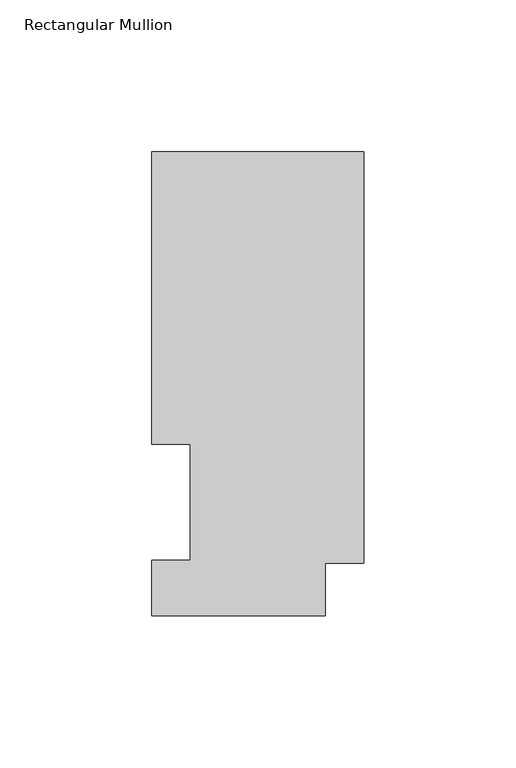
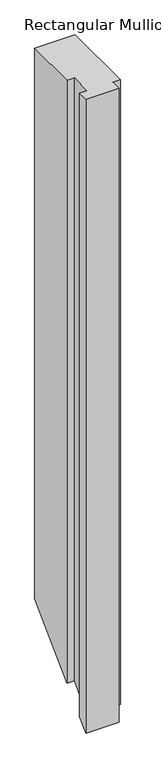
"""IFC4 building model written with IfcOpenShell, lengths in millimetres: member geometry, Rectangular Mullion."""

import ifcopenshell
import ifcopenshell.guid

model = None  # the IFC model being written
_history = None  # IfcOwnerHistory: only IFC2X3 demands one
_inside = {}  # id of a spatial element -> (the spatial element, [elements in it])
_under = {}  # id of a project, library or spatial element -> (it, [spatial elements below it])
_declared = {}  # id of a project -> (the project, [libraries it declares])
_typed = {}  # id of a type object -> (the type object, [elements of that type])
_made_of = {}  # id of a material, layer set ... -> (it, [elements and type objects made of it])


def new_model(schema):
    """Start an empty IFC model of exactly this schema.

    Asked for "IFC4X3", IfcOpenShell would pick the latest addendum, in which some entities
    have other attributes; the version numbers below select the first issue.
    IFC2X3 requires an IfcOwnerHistory on every rooted entity: one is made here for all.
    """
    global model, _history
    if schema == "IFC4X3":
        model = ifcopenshell.file(schema_version=(4, 3, 0, 0))
    else:
        model = ifcopenshell.file(schema=schema)
    _inside.clear()
    _under.clear()
    _declared.clear()
    _typed.clear()
    _made_of.clear()
    _history = None
    if model.schema == "IFC2X3":
        org = make("IfcOrganization", Name="unknown")
        user = make(
            "IfcPersonAndOrganization",
            ThePerson=make("IfcPerson", FamilyName="unknown"),
            TheOrganization=org,
        )
        app = make(
            "IfcApplication",
            ApplicationDeveloper=org,
            Version="unknown",
            ApplicationFullName="unknown",
            ApplicationIdentifier="unknown",
        )
        _history = make(
            "IfcOwnerHistory",
            OwningUser=user,
            OwningApplication=app,
            ChangeAction="ADDED",
            CreationDate=0,
        )
    return model


def make(cls, **values):
    """One entity of the class cls with the attributes given. An attribute that is None is left unset."""
    return model.create_entity(
        cls, **{name: value for name, value in values.items() if value is not None}
    )


def rooted(cls, **values):
    """An entity with a GlobalId (a new one), such as an element, a storey or a relation."""
    return make(cls, GlobalId=ifcopenshell.guid.new(), OwnerHistory=_history, **values)


def si_unit(unit_type, name, prefix=None):
    """IfcSIUnit, for example si_unit("LENGTHUNIT", "METRE", prefix="MILLI")."""
    return make("IfcSIUnit", UnitType=unit_type, Prefix=prefix, Name=name)


def assignment(units):
    """IfcUnitAssignment: the units of a project."""
    return None if units is None else make("IfcUnitAssignment", Units=units)


def point(xyz):
    """IfcCartesianPoint."""
    return None if xyz is None else make("IfcCartesianPoint", Coordinates=xyz)


def direction(xyz):
    """IfcDirection."""
    return None if xyz is None else make("IfcDirection", DirectionRatios=xyz)


def frame(location, z_axis=None, x_axis=None):
    """IfcAxis2Placement3D, a coordinate frame: its origin and axes. An axis left out is left unset."""
    return make(
        "IfcAxis2Placement3D",
        Location=point(location),
        Axis=direction(z_axis),
        RefDirection=direction(x_axis),
    )


def origin():
    """The frame at (0, 0, 0) with its axes left unset."""
    return frame((0.0, 0.0, 0.0))


def place(relative_to, where):
    """IfcLocalPlacement: puts the frame where relative to a parent placement (None: the world)."""
    return make(
        "IfcLocalPlacement", PlacementRelTo=relative_to, RelativePlacement=where
    )


def context(
    kind, dimensions, precision=None, world=None, true_north=None, identifier=None
):
    """IfcGeometricRepresentationContext, for example the 3D "Model" context."""
    return make(
        "IfcGeometricRepresentationContext",
        ContextIdentifier=identifier,
        ContextType=kind,
        CoordinateSpaceDimension=dimensions,
        Precision=precision,
        WorldCoordinateSystem=world,
        TrueNorth=true_north,
    )


def project(units=None, contexts=None):
    """IfcProject with its units and contexts."""
    return rooted(
        "IfcProject",
        Name="project",
        RepresentationContexts=contexts,
        UnitsInContext=assignment(units),
    )


def spatial(cls, under=None, at=None, **own):
    """A site, building, storey or space (cls), placed at a placement, below another one or the project."""
    s = rooted(cls, ObjectPlacement=at, **own)
    if under is not None:
        _under.setdefault(under.id(), (under, []))[1].append(s)
    return s


def faces_of(points, faces, orient=None, outer=None):
    """IfcFace entities. A face is a list of loops; a loop is a list of indices into points, from 0.

    orient and outer hold one flag for each loop. By default every Orientation is true, the
    first loop of a face is its IfcFaceOuterBound and the others are IfcFaceBound.
    """
    made = []
    for i, loops in enumerate(faces):
        bounds = []
        for j, loop in enumerate(loops):
            is_outer = j == 0 if outer is None else outer[i][j]
            bounds.append(
                make(
                    "IfcFaceOuterBound" if is_outer else "IfcFaceBound",
                    Bound=make("IfcPolyLoop", Polygon=[points[k] for k in loop]),
                    Orientation=True if orient is None else orient[i][j],
                )
            )
        made.append(make("IfcFace", Bounds=bounds))
    return made


def faceted_brep(points, faces, orient=None, outer=None, voids=None):
    """IfcFacetedBrep: a solid bounded by flat faces; with voids (closed shells), ...WithVoids."""
    shared = [point(p) for p in points]
    hull = make("IfcClosedShell", CfsFaces=faces_of(shared, faces, orient, outer))
    if voids is None:
        return make("IfcFacetedBrep", Outer=hull)
    return make(
        "IfcFacetedBrepWithVoids",
        Outer=hull,
        Voids=[
            make(cls, CfsFaces=faces_of(shared, fs, o, b)) for cls, fs, o, b in voids
        ],
    )


def shape(context_of_items, identifier, shape_type, items):
    """IfcShapeRepresentation: the items that make up one representation, for example the "Body"."""
    return make(
        "IfcShapeRepresentation",
        ContextOfItems=context_of_items,
        RepresentationIdentifier=identifier,
        RepresentationType=shape_type,
        Items=items,
    )


def source(mapping_origin, context_of_items, identifier, shape_type, items):
    """IfcRepresentationMap: a shape defined once, which mapped items show again and again."""
    return make(
        "IfcRepresentationMap",
        MappingOrigin=mapping_origin,
        MappedRepresentation=shape(context_of_items, identifier, shape_type, items),
    )


def transform(
    local_origin,
    x_axis=None,
    y_axis=None,
    z_axis=None,
    scale=None,
    scale2=None,
    scale3=None,
    uniform=True,
):
    """IfcCartesianTransformationOperator3D, or its non-uniform kind. x_axis, y_axis, z_axis: its Axis1, 2, 3."""
    if uniform:
        return make(
            "IfcCartesianTransformationOperator3D",
            Axis1=direction(x_axis),
            Axis2=direction(y_axis),
            LocalOrigin=point(local_origin),
            Scale=scale,
            Axis3=direction(z_axis),
        )
    return make(
        "IfcCartesianTransformationOperator3DnonUniform",
        Axis1=direction(x_axis),
        Axis2=direction(y_axis),
        LocalOrigin=point(local_origin),
        Scale=scale,
        Axis3=direction(z_axis),
        Scale2=scale2,
        Scale3=scale3,
    )


def mapped(mapping_source, mapping_target):
    """IfcMappedItem: shows the shape of a source again, moved by a transform."""
    return make(
        "IfcMappedItem", MappingSource=mapping_source, MappingTarget=mapping_target
    )


def made_of(thing, what):
    """Note that an element or type object is made of a material, layer set ...; save() writes the relation."""
    if what is not None:
        _made_of.setdefault(what.id(), (what, []))[1].append(thing)
    return thing


def element(
    cls,
    number,
    at=None,
    inside=None,
    cuts=None,
    type_object=None,
    material=None,
    context=None,
    identifier="Body",
    shape_type=None,
    held_by="IfcProductDefinitionShape",
    body=None,
    shapes=None,
    **own,
):
    """One element of the class cls, such as IfcWall. Its Tag is "e" and its number.

    at: its placement. inside: the storey or other place that contains it. cuts: it is an
    opening in that element (IfcRelVoidsElement). A single representation is given by context,
    identifier, shape_type and body (its items); several are given by shapes. held_by: the class
    of the entity that holds the representations. save() writes the other relations.
    """
    e = rooted(cls, Tag="e%d" % number, ObjectPlacement=at, **own)
    if body is not None:
        shapes = [shape(context, identifier, shape_type, body)]
    if shapes is not None:
        e.Representation = make(held_by, Representations=shapes)
    if inside is not None:
        _inside.setdefault(inside.id(), (inside, []))[1].append(e)
    if cuts is not None:
        rooted(
            "IfcRelVoidsElement", RelatingBuildingElement=cuts, RelatedOpeningElement=e
        )
    if type_object is not None:
        _typed.setdefault(type_object.id(), (type_object, []))[1].append(e)
    return made_of(e, material)


def aggregate(whole, parts):
    """IfcRelAggregates: a whole, such as a stair, and the parts it consists of."""
    return rooted("IfcRelAggregates", RelatingObject=whole, RelatedObjects=parts)


def save(model, path):
    """Write the relations noted so far, then the file.

    IfcRelAggregates (storeys below a building ...), IfcRelContainedInSpatialStructure (elements
    in a storey), IfcRelDefinesByType, IfcRelAssociatesMaterial and IfcRelDeclares: one each for
    every whole, place, type object, material and project.
    """
    for whole, parts in _under.values():
        aggregate(whole, parts)
    for where, things in _inside.values():
        rooted(
            "IfcRelContainedInSpatialStructure",
            RelatedElements=things,
            RelatingStructure=where,
        )
    for kind, things in _typed.values():
        rooted("IfcRelDefinesByType", RelatedObjects=things, RelatingType=kind)
    for what, things in _made_of.values():
        rooted("IfcRelAssociatesMaterial", RelatedObjects=things, RelatingMaterial=what)
    for by, libraries in _declared.values():
        rooted("IfcRelDeclares", RelatingContext=by, RelatedDefinitions=libraries)
    model.write(path)


def rectangular_mullion_b5c1d2ae(model_context):
    return source(origin(), model_context, "Body", "Brep", [
        faceted_brep([(0.0, 152.7492337, 0.0), (-69.85, 152.7492337, 0.0), (-69.85, 56.3562337, 0.0), (-57.15, 56.3562337, 0.0), (-57.15, 18.2562337, 0.0), (-69.85, 18.2562337, 0.0), (-69.85, -0.0317663, 0.0), (-12.7, -0.0317663, 0.0), (-12.7, 17.2502333, 0.0), (0.0, 17.2502333, 0.0), (0.0, 152.7492337, -1003.3158913), (-69.85, 152.7492337, -1003.3158913), (-69.85, 56.3562337, -1099.7088913), (-57.15, 56.3562337, -1099.7088913), (-57.15, 18.2562337, -1137.8088913), (-69.85, 18.2562337, -1137.8088913), (-69.85, -0.0317663, -1156.0968913), (-12.7, -0.0317663, -1156.0968913), (-12.7, 17.2502333, -1138.8148917), (0.0, 17.2502333, -1138.8148917)], [[[0, 1, 2, 3, 4, 5, 6, 7, 8, 9]], [[1, 0, 10, 11]], [[2, 1, 11, 12]], [[3, 2, 12, 13]], [[4, 3, 13, 14]], [[5, 4, 14, 15]], [[6, 5, 15, 16]], [[7, 6, 16, 17]], [[8, 7, 17, 18]], [[9, 8, 18, 19]], [[0, 9, 19, 10]], [[10, 19, 18, 17, 16, 15, 14, 13, 12, 11]]]),
    ])


if __name__ == "__main__":
    model = new_model("IFC4")
    model_context = context("Model", 3, world=origin())
    ifc_project = project(units=[si_unit("LENGTHUNIT", "METRE", prefix="MILLI")], contexts=[model_context])
    site = spatial("IfcSite", under=ifc_project)
    building = spatial("IfcBuilding", under=site)
    placement = place(None, origin())
    rectangular_mullion_shape = rectangular_mullion_b5c1d2ae(model_context)
    element("IfcMember", 1, ObjectType="Rectangular Mullion", at=placement, inside=building, context=model_context, shape_type="MappedRepresentation", body=[
        mapped(rectangular_mullion_shape, transform((0.0, 0.0, 0.0), x_axis=(1.0, 0.0, 0.0), y_axis=(0.0, 1.0, 0.0), z_axis=(0.0, 0.0, 1.0))),
    ])
    save(model, "model.ifc")
